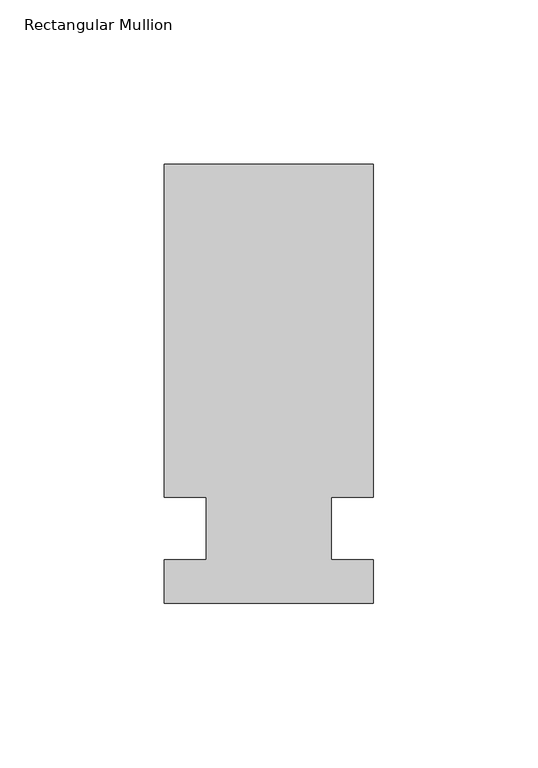
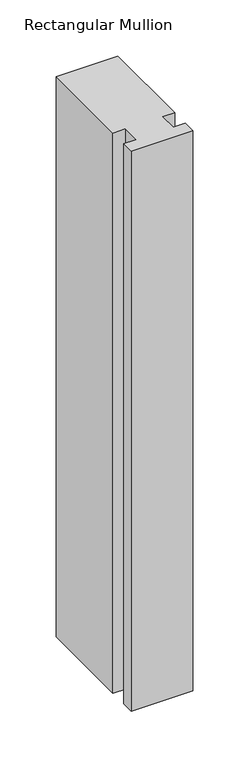
"""IFC4 building model written with IfcOpenShell, lengths in millimetres: member geometry, Rectangular Mullion."""

from ifc_helpers import new_model, si_unit, frame, origin, place, context, project, spatial, polyline, outline, extrude, source, transform, mapped, element, save


def rectangular_mullion_22bdd17b(model_context):
    return source(origin(), model_context, "Body", "SweptSolid", [
        extrude(outline(polyline([(-63.5, 133.4396937), (0.0, 133.4396937), (0.0, 32.2460937), (-12.7, 32.2460937), (-12.7, 13.1960937), (0.0, 13.1960937), (0.0, 0.0134937), (-63.5, 0.0134937), (-63.5, 13.1960937), (-50.8, 13.1960937), (-50.8, 32.2460937), (-63.5, 32.2460938), (-63.5, 133.4396937)])), frame((0.0, 0.0, -609.6), z_axis=(0.0, 0.0, 1.0), x_axis=(1.0, 0.0, 0.0)), (0.0, 0.0, 1.0), 609.6),
    ])


if __name__ == "__main__":
    model = new_model("IFC4")
    model_context = context("Model", 3, world=origin())
    ifc_project = project(units=[si_unit("LENGTHUNIT", "METRE", prefix="MILLI")], contexts=[model_context])
    site = spatial("IfcSite", under=ifc_project)
    building = spatial("IfcBuilding", under=site)
    placement = place(None, origin())
    rectangular_mullion_shape = rectangular_mullion_22bdd17b(model_context)
    element("IfcMember", 1, ObjectType="Rectangular Mullion", at=placement, inside=building, context=model_context, shape_type="MappedRepresentation", body=[
        mapped(rectangular_mullion_shape, transform((0.0, 0.0, 0.0), x_axis=(1.0, 0.0, 0.0), y_axis=(0.0, 1.0, 0.0), z_axis=(0.0, 0.0, 1.0))),
    ])
    save(model, "model.ifc")
